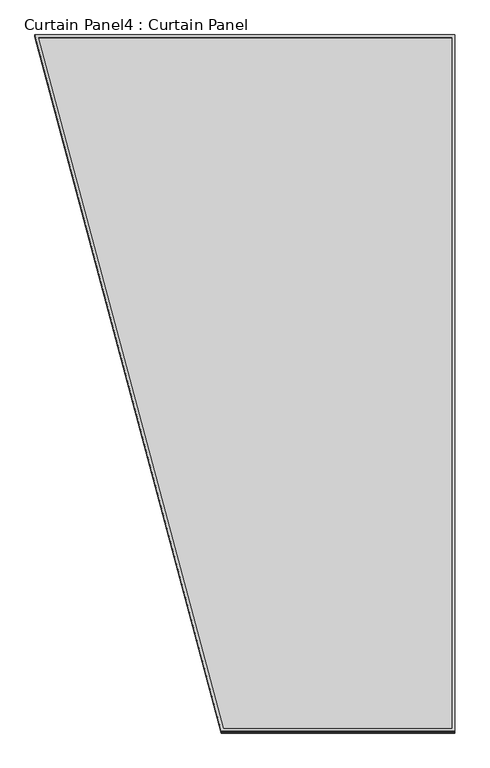
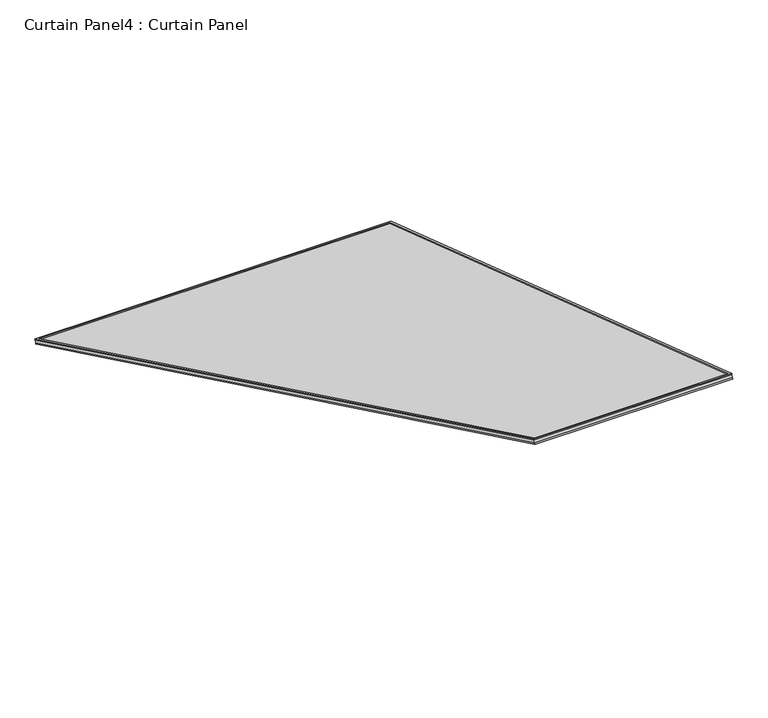
"""IFC4 building model written with IfcOpenShell, lengths in millimetres: plate geometry, Curtain Panel4 : Curtain Panel."""

from ifc_helpers import new_model, si_unit, frame, origin, place, context, project, spatial, polyline, outline, extrude, source, transform, mapped, element, save


def curtain_panel4_curtain_panel_93529e5e(model_context):
    return source(origin(), model_context, "Body", "SweptSolid", [
        extrude(outline(polyline([(1614.7935241, -11.1124999), (-11.1125, -11.1124999), (-11.1125, 2831.176464), (892.2659299, 2831.176464), (1614.7935241, -11.1124999)]), holes=[polyline([(883.6248677, 2820.0639641), (0.0, 2820.0639641), (0.0, 0.0), (1600.5027282, 0.0), (883.6248677, 2820.0639641)])]), frame((11402.707426, 10705.375153, -5.6773413), z_axis=(0.0, 0.31614582397380575, 0.948710608132914), x_axis=(-1.0, 0.0, 0.0)), (0.0, 0.0, 1.0), 4.8777526),
        extrude(outline(polyline([(1614.7935241, -11.1125), (-11.1125, -11.1125), (-11.1125, 2831.176464), (892.2659299, 2831.176464), (1614.7935241, -11.1125)]), holes=[polyline([(883.6248677, 2820.063964), (0.0, 2820.063964), (0.0, 0.0), (1600.5027282, 0.0), (883.6248677, 2820.063964)])]), frame((11402.707426, 10699.8138125, -22.3661674), z_axis=(0.0, 0.316145823973806, 0.948710608132914), x_axis=(-1.0, 0.0, 0.0)), (0.0, 0.0, 1.0), 4.7841913),
        extrude(outline(polyline([(25.6892884, 0.0), (1651.5953125, 0.0), (1651.5953125, -2842.288964), (748.2168826, -2842.288964), (25.6892884, 0.0)])), frame((9762.2246135, 10711.8688612, -21.3405249), z_axis=(0.0, 0.3161458239738058, 0.948710608132914), x_axis=(1.0, 0.0, 0.0)), (0.0, 0.0, 1.0), 12.8068697),
    ])


if __name__ == "__main__":
    model = new_model("IFC4")
    model_context = context("Model", 3, world=origin())
    ifc_project = project(units=[si_unit("LENGTHUNIT", "METRE", prefix="MILLI")], contexts=[model_context])
    site = spatial("IfcSite", under=ifc_project)
    building = spatial("IfcBuilding", under=site)
    placement = place(None, origin())
    curtain_panel4_curtain_panel_shape = curtain_panel4_curtain_panel_93529e5e(model_context)
    element("IfcPlate", 1, ObjectType="Curtain Panel4 : Curtain Panel", at=placement, inside=building, context=model_context, shape_type="MappedRepresentation", body=[
        mapped(curtain_panel4_curtain_panel_shape, transform((0.0, 0.0, 0.0), x_axis=(1.0, 0.0, 0.0), y_axis=(0.0, 1.0, 0.0), z_axis=(0.0, 0.0, 1.0))),
    ])
    save(model, "model.ifc")
